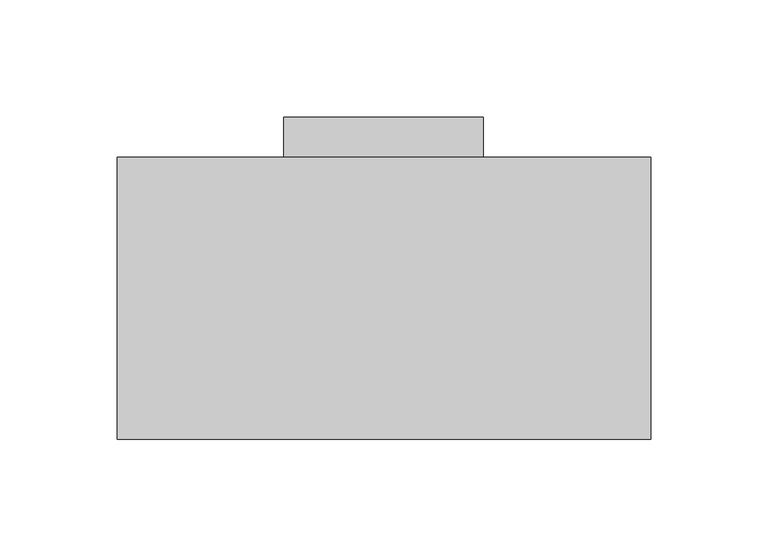
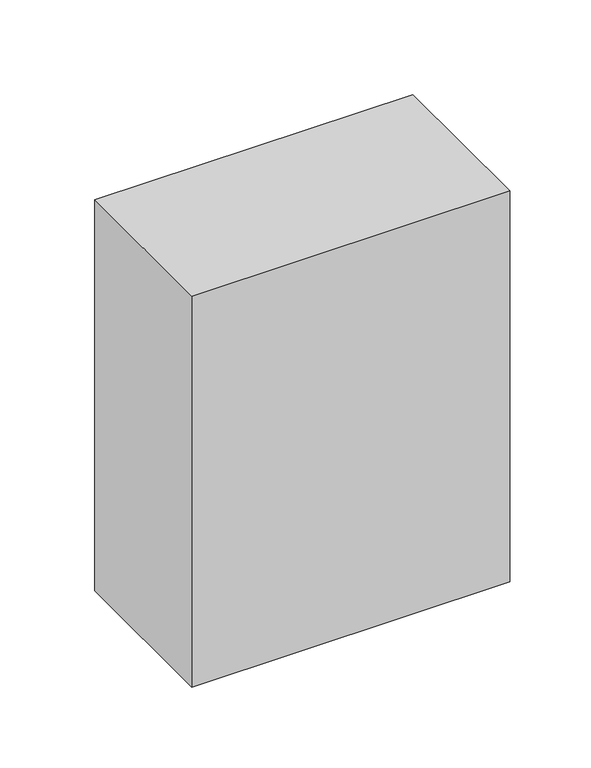
"""IFC4 building model written with IfcOpenShell, lengths in millimetres: proxy geometry."""

from ifc_helpers import new_model, si_unit, point, frame, frame_2d, origin, place, context, project, spatial, polyline, circle_curve, trimmed, segment, composite_curve, outline, extrude, source, transform, mapped, element, save


def communication_devices_df888a8f(model_context):
    return source(origin(), model_context, "Body", "SweptSolid", [
        extrude(outline(polyline([(113.5, 0.0), (113.5, -120.0), (-113.5, -120.0), (-113.5, 0.0), (113.5, 0.0)])), frame((0.0, 0.0, 450.0), z_axis=(0.0, 0.0, 1.0), x_axis=(1.0, 0.0, 0.0)), (0.0, 0.0, 1.0), 295.0),
        extrude(outline(polyline([(42.259054, -11.0), (-42.740946, -11.0), (-42.740946, -10.0), (42.259054, -10.0), (42.259054, -11.0)])), frame((0.0, 0.0, 520.500267), z_axis=(0.0, 0.0, 1.0), x_axis=(1.0, 0.0, 0.0)), (0.0, 0.0, 1.0), 155.0),
        extrude(outline(polyline([(42.259054, 0.0), (-42.740946, 0.0), (-42.740946, 17.0), (42.259054, 17.0), (42.259054, 0.0)])), frame((0.0, 0.0, 520.500267), z_axis=(0.0, 0.0, 1.0), x_axis=(1.0, 0.0, 0.0)), (0.0, 0.0, 1.0), 155.0),
        extrude(outline(composite_curve([segment(polyline([(695.0, 60.5), (695.0, -60.5)]), True, "CONTINUOUS"), segment(trimmed(circle_curve(frame_2d((692.0, -60.5)), 3.0), [point((695.0, -60.5))], [point((692.0, -63.5))], False, "CARTESIAN"), True, "CONTINUOUS"), segment(polyline([(692.0, -63.5), (503.0, -63.5)]), True, "CONTINUOUS"), segment(trimmed(circle_curve(frame_2d((503.0, -60.5)), 3.0), [point((503.0, -63.5))], [point((500.0, -60.5))], False, "CARTESIAN"), True, "CONTINUOUS"), segment(polyline([(500.0, -60.5), (500.0, 60.5)]), True, "CONTINUOUS"), segment(trimmed(circle_curve(frame_2d((503.0, 60.5)), 3.0), [point((500.0, 60.5))], [point((503.0, 63.5))], False, "CARTESIAN"), True, "CONTINUOUS"), segment(polyline([(503.0, 63.5), (692.0, 63.5)]), True, "CONTINUOUS"), segment(trimmed(circle_curve(frame_2d((692.0, 60.5)), 3.0), [point((692.0, 63.5))], [point((695.0, 60.5))], False, "CARTESIAN"), True, "CONTINUOUS")], self_intersect=False), holes=[composite_curve([segment(trimmed(circle_curve(frame_2d((687.1850633, -37.5988889)), 1.0), [point((687.1850633, -36.5988889))], [point((687.1850633, -38.5988889))], True, "CARTESIAN"), True, "CONTINUOUS"), segment(trimmed(circle_curve(frame_2d((687.1850633, -37.5988889)), 1.0), [point((687.1850633, -38.5988889))], [point((687.1850633, -36.5988889))], True, "CARTESIAN"), True, "CONTINUOUS")], self_intersect=False)]), frame((0.0, -10.0, 0.0), z_axis=(0.0, 1.0, 0.0), x_axis=(0.0, 0.0, 1.0)), (0.0, 0.0, 1.0), 10.0),
        extrude(outline(polyline([(61.0, -10.5), (-61.0, -10.5), (-61.0, -9.5), (61.0, -9.5), (61.0, -10.5)])), frame((0.0, 0.0, 502.5), z_axis=(0.0, 0.0, 1.0), x_axis=(1.0, 0.0, 0.0)), (0.0, 0.0, 1.0), 190.0),
        extrude(outline(composite_curve([segment(trimmed(circle_curve(frame_2d((506.4375, 39.5815871)), 8.0), [point((506.4375, 31.5815871))], [point((506.4375, 47.5815871))], False, "CARTESIAN"), True, "CONTINUOUS"), segment(trimmed(circle_curve(frame_2d((506.4375, 39.5815871)), 8.0), [point((506.4375, 47.5815871))], [point((506.4375, 31.5815871))], False, "CARTESIAN"), True, "CONTINUOUS")], self_intersect=False)), frame((0.0, -15.0, 0.0), z_axis=(0.0, 1.0, 0.0), x_axis=(0.0, 0.0, 1.0)), (0.0, 0.0, 1.0), 4.0),
        extrude(outline(composite_curve([segment(trimmed(circle_curve(frame_2d((506.4375, 39.5815871)), 10.0), [point((506.4375, 29.5815871))], [point((506.4375, 49.5815871))], False, "CARTESIAN"), True, "CONTINUOUS"), segment(trimmed(circle_curve(frame_2d((506.4375, 39.5815871)), 10.0), [point((506.4375, 49.5815871))], [point((506.4375, 29.5815871))], False, "CARTESIAN"), True, "CONTINUOUS")], self_intersect=False), holes=[composite_curve([segment(trimmed(circle_curve(frame_2d((506.4375, 39.5815871)), 8.0), [point((506.4375, 31.5815871))], [point((506.4375, 47.5815871))], True, "CARTESIAN"), True, "CONTINUOUS"), segment(trimmed(circle_curve(frame_2d((506.4375, 39.5815871)), 8.0), [point((506.4375, 47.5815871))], [point((506.4375, 31.5815871))], True, "CARTESIAN"), True, "CONTINUOUS")], self_intersect=False)]), frame((0.0, -15.0, 0.0), z_axis=(0.0, 1.0, 0.0), x_axis=(0.0, 0.0, 1.0)), (0.0, 0.0, 1.0), 5.0),
    ])


if __name__ == "__main__":
    model = new_model("IFC4")
    model_context = context("Model", 3, world=origin())
    ifc_project = project(units=[si_unit("LENGTHUNIT", "METRE", prefix="MILLI")], contexts=[model_context])
    site = spatial("IfcSite", under=ifc_project)
    building = spatial("IfcBuilding", under=site)
    placement = place(None, origin())
    communication_devices_shape = communication_devices_df888a8f(model_context)
    element("IfcBuildingElementProxy", 1, Name="Communication Devices", at=placement, inside=building, context=model_context, shape_type="MappedRepresentation", body=[
        mapped(communication_devices_shape, transform((0.0, 0.0, 0.0), x_axis=(1.0, 0.0, 0.0), y_axis=(0.0, 1.0, 0.0), z_axis=(0.0, 0.0, 1.0))),
    ])
    save(model, "model.ifc")
